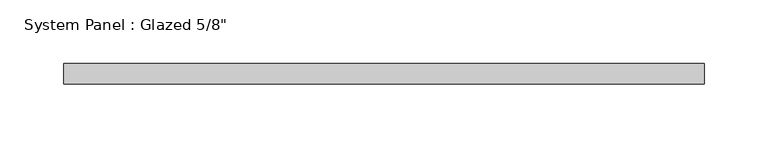
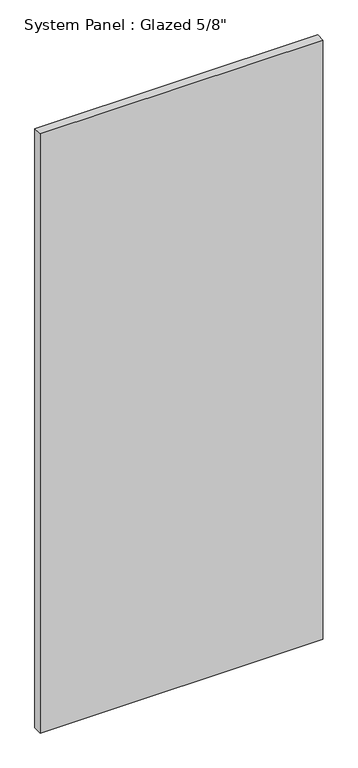
"""IFC4 building model written with IfcOpenShell, lengths in millimetres: plate geometry."""

from ifc_helpers import new_model, si_unit, origin, origin_with_axes, place, context, project, spatial, polyline, outline, extrude, source, transform, mapped, element, save


def plate_6c20c616(model_context):
    return source(origin(), model_context, "Body", "SweptSolid", [
        extrude(outline(polyline([(250.825, -3.175), (-250.825, -3.175), (-250.825, 12.7), (250.825, 12.7), (250.825, -3.175)])), origin_with_axes(), (0.0, 0.0, 1.0), 1123.95),
    ])


if __name__ == "__main__":
    model = new_model("IFC4")
    model_context = context("Model", 3, world=origin())
    ifc_project = project(units=[si_unit("LENGTHUNIT", "METRE", prefix="MILLI")], contexts=[model_context])
    site = spatial("IfcSite", under=ifc_project)
    building = spatial("IfcBuilding", under=site)
    placement = place(None, origin())
    plate_shape = plate_6c20c616(model_context)
    element("IfcPlate", 1, ObjectType="System Panel : Glazed 5/8\"", at=placement, inside=building, context=model_context, shape_type="MappedRepresentation", body=[
        mapped(plate_shape, transform((0.0, 0.0, 0.0), x_axis=(1.0, 0.0, 0.0), y_axis=(0.0, 1.0, 0.0), z_axis=(0.0, 0.0, 1.0))),
    ])
    save(model, "model.ifc")
